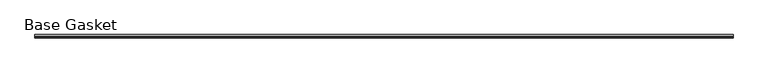
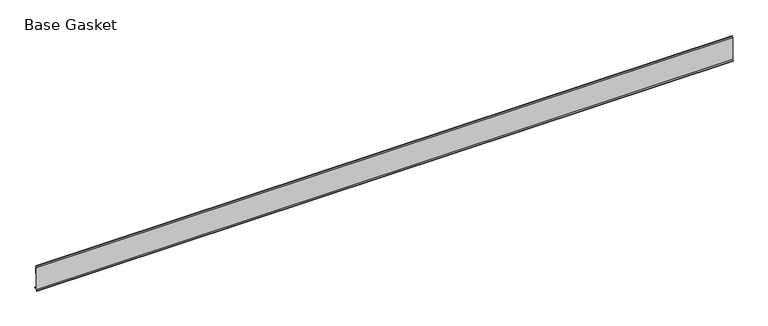
"""IFC4 building model written with IfcOpenShell, lengths in millimetres: furniture geometry, Base Gasket."""

from ifc_helpers import new_model, si_unit, frame, origin, place, context, project, spatial, polyline, outline, extrude, source, transform, mapped, element, save


def base_gasket_f62042bc(model_context):
    return source(origin(), model_context, "Body", "SweptSolid", [
        extrude(outline(polyline([(-3.7283812, 98.4568417), (-1.1891543, 104.587663), (-0.6755308, 105.2002997), (-0.6755308, 104.4162708), (-2.2043812, 98.4568417), (-2.2043812, 96.8693477), (-1.4106313, 96.8693477), (-1.4106313, 71.4693447), (-2.2043812, 71.4693447), (-2.2043812, 7.9398773), (6.2405171, 7.9398773), (6.2405171, 6.3818476), (-2.1334222, 6.3818476), (-2.2043812, 4.3498477), (-6.8281054, 0.3520979), (-7.8482342, 0.0), (-7.4222115, 0.6560174), (-3.7283812, 4.3498477), (-3.7283812, 98.4568417)])), frame((-1527.8982117, 0.0, 0.0), z_axis=(1.0, 0.0, 0.0), x_axis=(0.0, 1.0, 0.0)), (0.0, 0.0, 1.0), 2867.8995379),
    ])


if __name__ == "__main__":
    model = new_model("IFC4")
    model_context = context("Model", 3, world=origin())
    ifc_project = project(units=[si_unit("LENGTHUNIT", "METRE", prefix="MILLI")], contexts=[model_context])
    site = spatial("IfcSite", under=ifc_project)
    building = spatial("IfcBuilding", under=site)
    placement = place(None, origin())
    base_gasket_shape = base_gasket_f62042bc(model_context)
    element("IfcFurniture", 1, ObjectType="Base Gasket", at=placement, inside=building, context=model_context, shape_type="MappedRepresentation", body=[
        mapped(base_gasket_shape, transform((0.0, 0.0, 0.0), x_axis=(1.0, 0.0, 0.0), y_axis=(0.0, 1.0, 0.0), z_axis=(0.0, 0.0, 1.0))),
    ])
    save(model, "model.ifc")
